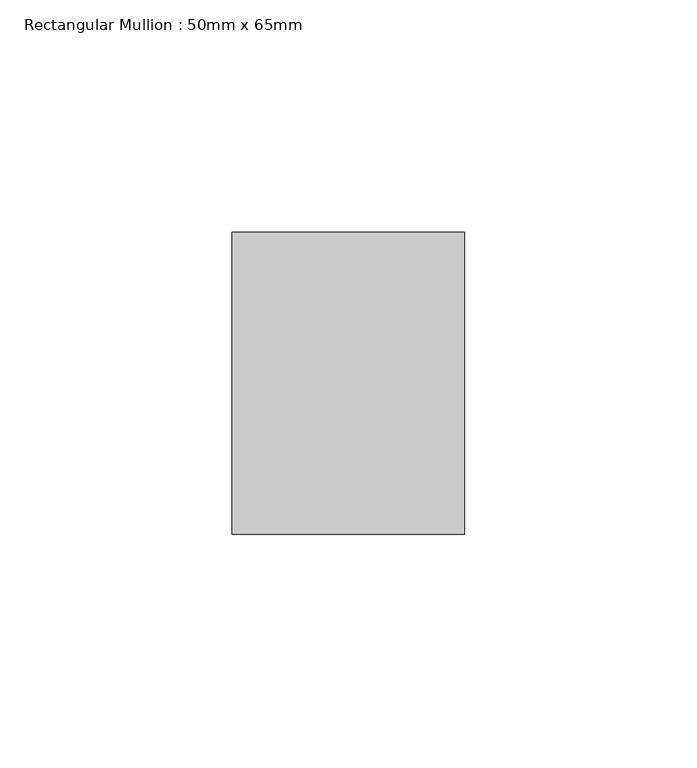
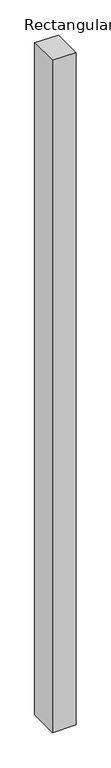
"""IFC4 building model written with IfcOpenShell, lengths in millimetres: member geometry, Rectangular Mullion : 50mm x 65mm."""

import ifcopenshell
import ifcopenshell.guid

model = None  # the IFC model being written
_history = None  # IfcOwnerHistory: only IFC2X3 demands one
_inside = {}  # id of a spatial element -> (the spatial element, [elements in it])
_under = {}  # id of a project, library or spatial element -> (it, [spatial elements below it])
_declared = {}  # id of a project -> (the project, [libraries it declares])
_typed = {}  # id of a type object -> (the type object, [elements of that type])
_made_of = {}  # id of a material, layer set ... -> (it, [elements and type objects made of it])


def new_model(schema):
    """Start an empty IFC model of exactly this schema.

    Asked for "IFC4X3", IfcOpenShell would pick the latest addendum, in which some entities
    have other attributes; the version numbers below select the first issue.
    IFC2X3 requires an IfcOwnerHistory on every rooted entity: one is made here for all.
    """
    global model, _history
    if schema == "IFC4X3":
        model = ifcopenshell.file(schema_version=(4, 3, 0, 0))
    else:
        model = ifcopenshell.file(schema=schema)
    _inside.clear()
    _under.clear()
    _declared.clear()
    _typed.clear()
    _made_of.clear()
    _history = None
    if model.schema == "IFC2X3":
        org = make("IfcOrganization", Name="unknown")
        user = make(
            "IfcPersonAndOrganization",
            ThePerson=make("IfcPerson", FamilyName="unknown"),
            TheOrganization=org,
        )
        app = make(
            "IfcApplication",
            ApplicationDeveloper=org,
            Version="unknown",
            ApplicationFullName="unknown",
            ApplicationIdentifier="unknown",
        )
        _history = make(
            "IfcOwnerHistory",
            OwningUser=user,
            OwningApplication=app,
            ChangeAction="ADDED",
            CreationDate=0,
        )
    return model


def make(cls, **values):
    """One entity of the class cls with the attributes given. An attribute that is None is left unset."""
    return model.create_entity(
        cls, **{name: value for name, value in values.items() if value is not None}
    )


def rooted(cls, **values):
    """An entity with a GlobalId (a new one), such as an element, a storey or a relation."""
    return make(cls, GlobalId=ifcopenshell.guid.new(), OwnerHistory=_history, **values)


def si_unit(unit_type, name, prefix=None):
    """IfcSIUnit, for example si_unit("LENGTHUNIT", "METRE", prefix="MILLI")."""
    return make("IfcSIUnit", UnitType=unit_type, Prefix=prefix, Name=name)


def assignment(units):
    """IfcUnitAssignment: the units of a project."""
    return None if units is None else make("IfcUnitAssignment", Units=units)


def point(xyz):
    """IfcCartesianPoint."""
    return None if xyz is None else make("IfcCartesianPoint", Coordinates=xyz)


def direction(xyz):
    """IfcDirection."""
    return None if xyz is None else make("IfcDirection", DirectionRatios=xyz)


def frame(location, z_axis=None, x_axis=None):
    """IfcAxis2Placement3D, a coordinate frame: its origin and axes. An axis left out is left unset."""
    return make(
        "IfcAxis2Placement3D",
        Location=point(location),
        Axis=direction(z_axis),
        RefDirection=direction(x_axis),
    )


def origin():
    """The frame at (0, 0, 0) with its axes left unset."""
    return frame((0.0, 0.0, 0.0))


def place(relative_to, where):
    """IfcLocalPlacement: puts the frame where relative to a parent placement (None: the world)."""
    return make(
        "IfcLocalPlacement", PlacementRelTo=relative_to, RelativePlacement=where
    )


def context(
    kind, dimensions, precision=None, world=None, true_north=None, identifier=None
):
    """IfcGeometricRepresentationContext, for example the 3D "Model" context."""
    return make(
        "IfcGeometricRepresentationContext",
        ContextIdentifier=identifier,
        ContextType=kind,
        CoordinateSpaceDimension=dimensions,
        Precision=precision,
        WorldCoordinateSystem=world,
        TrueNorth=true_north,
    )


def project(units=None, contexts=None):
    """IfcProject with its units and contexts."""
    return rooted(
        "IfcProject",
        Name="project",
        RepresentationContexts=contexts,
        UnitsInContext=assignment(units),
    )


def spatial(cls, under=None, at=None, **own):
    """A site, building, storey or space (cls), placed at a placement, below another one or the project."""
    s = rooted(cls, ObjectPlacement=at, **own)
    if under is not None:
        _under.setdefault(under.id(), (under, []))[1].append(s)
    return s


def faces_of(points, faces, orient=None, outer=None):
    """IfcFace entities. A face is a list of loops; a loop is a list of indices into points, from 0.

    orient and outer hold one flag for each loop. By default every Orientation is true, the
    first loop of a face is its IfcFaceOuterBound and the others are IfcFaceBound.
    """
    made = []
    for i, loops in enumerate(faces):
        bounds = []
        for j, loop in enumerate(loops):
            is_outer = j == 0 if outer is None else outer[i][j]
            bounds.append(
                make(
                    "IfcFaceOuterBound" if is_outer else "IfcFaceBound",
                    Bound=make("IfcPolyLoop", Polygon=[points[k] for k in loop]),
                    Orientation=True if orient is None else orient[i][j],
                )
            )
        made.append(make("IfcFace", Bounds=bounds))
    return made


def faceted_brep(points, faces, orient=None, outer=None, voids=None):
    """IfcFacetedBrep: a solid bounded by flat faces; with voids (closed shells), ...WithVoids."""
    shared = [point(p) for p in points]
    hull = make("IfcClosedShell", CfsFaces=faces_of(shared, faces, orient, outer))
    if voids is None:
        return make("IfcFacetedBrep", Outer=hull)
    return make(
        "IfcFacetedBrepWithVoids",
        Outer=hull,
        Voids=[
            make(cls, CfsFaces=faces_of(shared, fs, o, b)) for cls, fs, o, b in voids
        ],
    )


def shape(context_of_items, identifier, shape_type, items):
    """IfcShapeRepresentation: the items that make up one representation, for example the "Body"."""
    return make(
        "IfcShapeRepresentation",
        ContextOfItems=context_of_items,
        RepresentationIdentifier=identifier,
        RepresentationType=shape_type,
        Items=items,
    )


def source(mapping_origin, context_of_items, identifier, shape_type, items):
    """IfcRepresentationMap: a shape defined once, which mapped items show again and again."""
    return make(
        "IfcRepresentationMap",
        MappingOrigin=mapping_origin,
        MappedRepresentation=shape(context_of_items, identifier, shape_type, items),
    )


def transform(
    local_origin,
    x_axis=None,
    y_axis=None,
    z_axis=None,
    scale=None,
    scale2=None,
    scale3=None,
    uniform=True,
):
    """IfcCartesianTransformationOperator3D, or its non-uniform kind. x_axis, y_axis, z_axis: its Axis1, 2, 3."""
    if uniform:
        return make(
            "IfcCartesianTransformationOperator3D",
            Axis1=direction(x_axis),
            Axis2=direction(y_axis),
            LocalOrigin=point(local_origin),
            Scale=scale,
            Axis3=direction(z_axis),
        )
    return make(
        "IfcCartesianTransformationOperator3DnonUniform",
        Axis1=direction(x_axis),
        Axis2=direction(y_axis),
        LocalOrigin=point(local_origin),
        Scale=scale,
        Axis3=direction(z_axis),
        Scale2=scale2,
        Scale3=scale3,
    )


def mapped(mapping_source, mapping_target):
    """IfcMappedItem: shows the shape of a source again, moved by a transform."""
    return make(
        "IfcMappedItem", MappingSource=mapping_source, MappingTarget=mapping_target
    )


def made_of(thing, what):
    """Note that an element or type object is made of a material, layer set ...; save() writes the relation."""
    if what is not None:
        _made_of.setdefault(what.id(), (what, []))[1].append(thing)
    return thing


def element(
    cls,
    number,
    at=None,
    inside=None,
    cuts=None,
    type_object=None,
    material=None,
    context=None,
    identifier="Body",
    shape_type=None,
    held_by="IfcProductDefinitionShape",
    body=None,
    shapes=None,
    **own,
):
    """One element of the class cls, such as IfcWall. Its Tag is "e" and its number.

    at: its placement. inside: the storey or other place that contains it. cuts: it is an
    opening in that element (IfcRelVoidsElement). A single representation is given by context,
    identifier, shape_type and body (its items); several are given by shapes. held_by: the class
    of the entity that holds the representations. save() writes the other relations.
    """
    e = rooted(cls, Tag="e%d" % number, ObjectPlacement=at, **own)
    if body is not None:
        shapes = [shape(context, identifier, shape_type, body)]
    if shapes is not None:
        e.Representation = make(held_by, Representations=shapes)
    if inside is not None:
        _inside.setdefault(inside.id(), (inside, []))[1].append(e)
    if cuts is not None:
        rooted(
            "IfcRelVoidsElement", RelatingBuildingElement=cuts, RelatedOpeningElement=e
        )
    if type_object is not None:
        _typed.setdefault(type_object.id(), (type_object, []))[1].append(e)
    return made_of(e, material)


def aggregate(whole, parts):
    """IfcRelAggregates: a whole, such as a stair, and the parts it consists of."""
    return rooted("IfcRelAggregates", RelatingObject=whole, RelatedObjects=parts)


def save(model, path):
    """Write the relations noted so far, then the file.

    IfcRelAggregates (storeys below a building ...), IfcRelContainedInSpatialStructure (elements
    in a storey), IfcRelDefinesByType, IfcRelAssociatesMaterial and IfcRelDeclares: one each for
    every whole, place, type object, material and project.
    """
    for whole, parts in _under.values():
        aggregate(whole, parts)
    for where, things in _inside.values():
        rooted(
            "IfcRelContainedInSpatialStructure",
            RelatedElements=things,
            RelatingStructure=where,
        )
    for kind, things in _typed.values():
        rooted("IfcRelDefinesByType", RelatedObjects=things, RelatingType=kind)
    for what, things in _made_of.values():
        rooted("IfcRelAssociatesMaterial", RelatedObjects=things, RelatingMaterial=what)
    for by, libraries in _declared.values():
        rooted("IfcRelDeclares", RelatingContext=by, RelatedDefinitions=libraries)
    model.write(path)


def rectangular_mullion_50mm_x_65mm_4d440aa7(model_context):
    return source(origin(), model_context, "Body", "Brep", [
        faceted_brep([(-25.0, 32.5, -0.2027382), (25.0, 32.5, -0.2027373), (25.0, 32.5, -1499.8925539), (-25.0, 32.5, -1499.8925533), (-25.0, -32.5, 0.2027373), (-25.0, -32.5, -1500.1072136), (25.0, -32.5, 0.2027382), (25.0, -32.5, -1500.1072142)], [[[0, 1, 2, 3]], [[4, 0, 3, 5]], [[6, 4, 5, 7]], [[1, 6, 7, 2]], [[1, 0, 4, 6]], [[2, 7, 5, 3]]]),
    ])


if __name__ == "__main__":
    model = new_model("IFC4")
    model_context = context("Model", 3, world=origin())
    ifc_project = project(units=[si_unit("LENGTHUNIT", "METRE", prefix="MILLI")], contexts=[model_context])
    site = spatial("IfcSite", under=ifc_project)
    building = spatial("IfcBuilding", under=site)
    placement = place(None, origin())
    rectangular_mullion_50mm_x_65mm_shape = rectangular_mullion_50mm_x_65mm_4d440aa7(model_context)
    element("IfcMember", 1, ObjectType="Rectangular Mullion : 50mm x 65mm", at=placement, inside=building, context=model_context, shape_type="MappedRepresentation", body=[
        mapped(rectangular_mullion_50mm_x_65mm_shape, transform((0.0, 0.0, 0.0), x_axis=(1.0, 0.0, 0.0), y_axis=(0.0, 1.0, 0.0), z_axis=(0.0, 0.0, 1.0))),
    ])
    save(model, "model.ifc")
